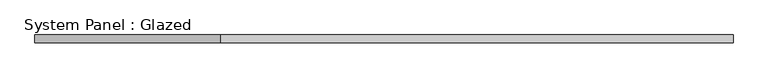
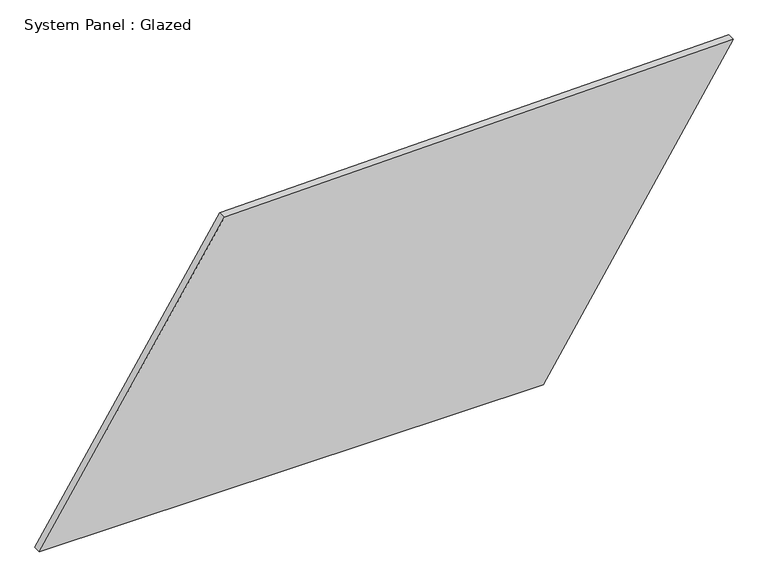
"""IFC4 building model written with IfcOpenShell, lengths in millimetres: plate geometry, System Panel : Glazed."""

from ifc_helpers import new_model, si_unit, frame, origin, place, context, project, spatial, polyline, outline, extrude, source, transform, mapped, element, save


def system_panel_glazed_89515ffd(model_context):
    return source(origin(), model_context, "Body", "SweptSolid", [
        extrude(outline(polyline([(0.0, -1091.5240357), (0.0, 493.3654383), (940.1630087, 1091.5240357), (908.7111455, -510.3020018), (0.0, -1091.5240357)])), frame((0.0, -49.5, 0.0), z_axis=(0.0, 1.0, 0.0), x_axis=(0.0, 0.0, 1.0)), (0.0, 0.0, 1.0), 25.0),
    ])


if __name__ == "__main__":
    model = new_model("IFC4")
    model_context = context("Model", 3, world=origin())
    ifc_project = project(units=[si_unit("LENGTHUNIT", "METRE", prefix="MILLI")], contexts=[model_context])
    site = spatial("IfcSite", under=ifc_project)
    building = spatial("IfcBuilding", under=site)
    placement = place(None, origin())
    system_panel_glazed_shape = system_panel_glazed_89515ffd(model_context)
    element("IfcPlate", 1, ObjectType="System Panel : Glazed", at=placement, inside=building, context=model_context, shape_type="MappedRepresentation", body=[
        mapped(system_panel_glazed_shape, transform((0.0, 0.0, 0.0), x_axis=(1.0, 0.0, 0.0), y_axis=(0.0, 1.0, 0.0), z_axis=(0.0, 0.0, 1.0))),
    ])
    save(model, "model.ifc")
